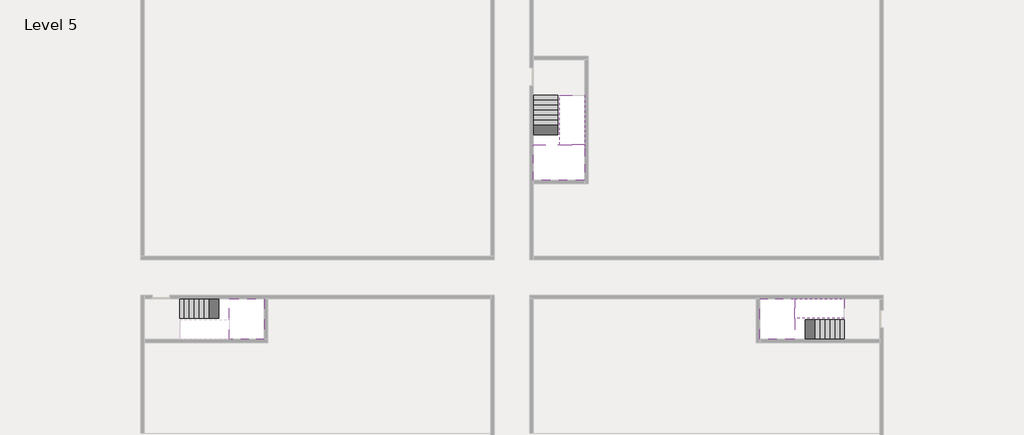
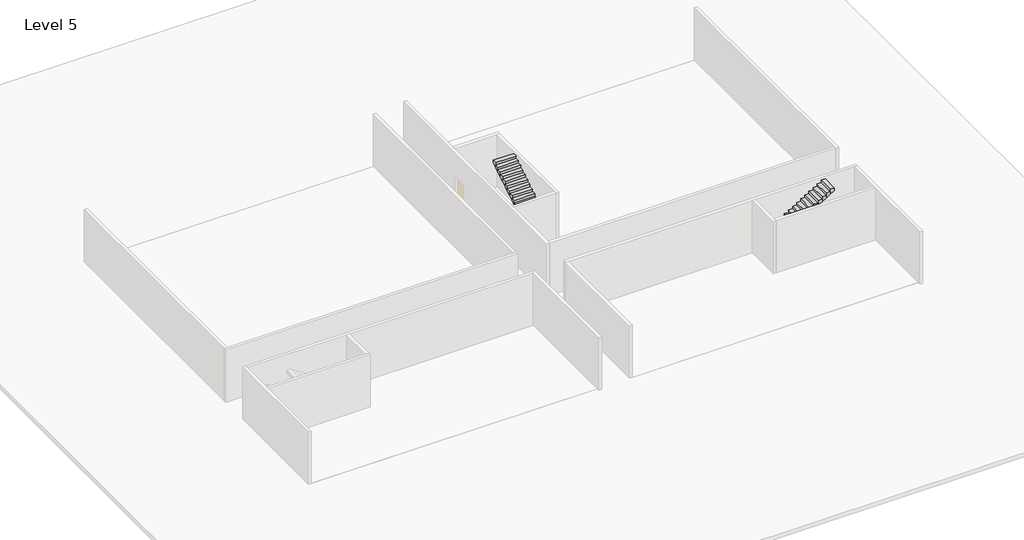
# One storey, part 2 of 2: 5 stair flights, 3 slabs.
"""IFC4 building model written with IfcOpenShell, lengths in millimetres."""

from ifc_helpers import new_model, si_unit, origin, place, context, project, spatial, faceted_brep, element, save

model = new_model("IFC4")

# Units and contexts
model_context = context("Model", 3, world=origin())
ifc_project = project(units=[si_unit("LENGTHUNIT", "METRE", prefix="MILLI")], contexts=[model_context])

# Site, building, storey
site = spatial("IfcSite", under=ifc_project)
building = spatial("IfcBuilding", under=site)
storey = spatial("IfcBuildingStorey", under=building, Name="Level 5", Elevation=15200.0)

# Slabs
placement = place(None, origin())
element("IfcSlab", 1, at=placement, inside=storey, context=model_context, shape_type="Brep", body=[
    faceted_brep([(8190.1058784, -42918.09644, 17100.0), (8190.1058784, -44018.09644, 17100.0), (8190.1058784, -44118.09644, 17100.0), (8190.1058784, -45218.09644, 17100.0), (8390.7194421, -45218.09644, 17100.0), (10190.1058784, -45218.09644, 17100.0), (10190.1058784, -42918.09644, 17100.0), (8269.4923146, -42918.09644, 17100.0), (8190.1058784, -42918.09644, 16927.2727273), (8190.1058784, -42918.09644, 16751.0278478), (8190.1058784, -44018.09644, 16751.0278478), (8190.1058784, -44018.09644, 16800.0), (8190.1058784, -44118.09644, 16800.0), (8190.1058784, -44118.09644, 16923.7551205), (8190.1058784, -45218.09644, 16923.7551205), (8390.7194421, -45218.09644, 16800.0), (10190.1058784, -45218.09644, 16800.0), (10190.1058784, -42918.09644, 16800.0), (8269.4923146, -42918.09644, 16800.0), (8390.7194421, -44118.09644, 16800.0), (8269.4923146, -44018.09644, 16800.0)], [[[0, 1, 2, 3, 4, 5, 6, 7]], [[1, 0, 8, 9, 10, 11]], [[2, 1, 11, 12, 13]], [[3, 2, 13, 14]], [[3, 14, 15, 16, 5, 4]], [[6, 5, 16, 17]], [[9, 8, 0, 7, 6, 17, 18]], [[19, 12, 11, 20, 18, 17, 16, 15]], [[12, 19, 13]], [[18, 20, 10, 9]], [[20, 11, 10]], [[19, 15, 14, 13]]]),
])
element("IfcSlab", 2, at=placement, inside=storey, context=model_context, shape_type="Brep", body=[
    faceted_brep([(40190.1058784, -45218.09644, 17100.0), (40190.1058784, -44118.09644, 17100.0), (40190.1058784, -44018.09644, 17100.0), (40190.1058784, -42918.09644, 17100.0), (39989.4923146, -42918.09644, 17100.0), (38190.1058784, -42918.09644, 17100.0), (38190.1058784, -45218.09644, 17100.0), (40110.7194421, -45218.09644, 17100.0), (40190.1058784, -45218.09644, 16927.2727273), (40190.1058784, -45218.09644, 16751.0278478), (40190.1058784, -44118.09644, 16751.0278478), (40190.1058784, -44118.09644, 16800.0), (40190.1058784, -44018.09644, 16800.0), (40190.1058784, -44018.09644, 16923.7551205), (40190.1058784, -42918.09644, 16923.7551205), (39989.4923146, -42918.09644, 16800.0), (38190.1058784, -42918.09644, 16800.0), (38190.1058784, -45218.09644, 16800.0), (40110.7194421, -45218.09644, 16800.0), (39989.4923146, -44018.09644, 16800.0), (40110.7194421, -44118.09644, 16800.0)], [[[0, 1, 2, 3, 4, 5, 6, 7]], [[1, 0, 8, 9, 10, 11]], [[2, 1, 11, 12, 13]], [[3, 2, 13, 14]], [[3, 14, 15, 16, 5, 4]], [[6, 5, 16, 17]], [[9, 8, 0, 7, 6, 17, 18]], [[19, 12, 11, 20, 18, 17, 16, 15]], [[12, 19, 13]], [[18, 20, 10, 9]], [[20, 11, 10]], [[19, 15, 14, 13]]]),
])
element("IfcSlab", 3, at=placement, inside=storey, context=model_context, shape_type="Brep", body=[
    faceted_brep([(26790.1058784, -34218.09644, 17100.0), (25390.1058784, -34218.09644, 17100.0), (25390.1058784, -34297.4828763, 17100.0), (25390.1058784, -36218.09644, 17100.0), (28290.1058784, -36218.09644, 17100.0), (28290.1058784, -34418.7100038, 17100.0), (28290.1058784, -34218.09644, 17100.0), (26890.1058784, -34218.09644, 17100.0), (26790.1058784, -34218.09644, 16800.0), (26790.1058784, -34218.09644, 16751.0278478), (25390.1058784, -34218.09644, 16751.0278478), (25390.1058784, -34218.09644, 16927.2727273), (25390.1058784, -34297.4828763, 16800.0), (25390.1058784, -36218.09644, 16800.0), (28290.1058784, -36218.09644, 16800.0), (28290.1058784, -34418.7100038, 16800.0), (28290.1058784, -34218.09644, 16923.7551205), (26890.1058784, -34218.09644, 16923.7551205), (26890.1058784, -34218.09644, 16800.0), (26890.1058784, -34418.7100038, 16800.0), (26790.1058784, -34297.4828763, 16800.0)], [[[0, 1, 2, 3, 4, 5, 6, 7]], [[1, 0, 8, 9, 10, 11]], [[1, 11, 10, 12, 13, 3, 2]], [[4, 3, 13, 14]], [[4, 14, 15, 16, 6, 5]], [[7, 6, 16, 17]], [[0, 7, 17, 18, 8]], [[18, 19, 15, 14, 13, 12, 20, 8]], [[19, 18, 17]], [[20, 12, 10, 9]], [[8, 20, 9]], [[15, 19, 17, 16]]]),
])

# Stair flights
element("IfcStairFlight", 4, at=placement, inside=storey, context=model_context, shape_type="Brep", body=[
    faceted_brep([(5670.1058784, -42918.09644, 15372.7272727), (5390.1058784, -42918.09644, 15372.7272727), (5390.1058784, -44018.09644, 15372.7272727), (5670.1058784, -44018.09644, 15372.7272727), (5670.1058784, -42918.09644, 15200.0), (5390.1058784, -42918.09644, 15200.0), (5390.1058784, -44018.09644, 15200.0), (5670.1058784, -44018.09644, 15200.0), (5950.1058784, -42918.09644, 15545.4545455), (5670.1058784, -42918.09644, 15545.4545455), (5670.1058784, -44018.09644, 15545.4545455), (5950.1058784, -44018.09644, 15545.4545455), (5950.1058784, -42918.09644, 15369.209666), (5675.8081041, -42918.09644, 15200.0), (5675.8081041, -44018.09644, 15200.0), (5950.1058784, -44018.09644, 15369.209666), (6230.1058784, -42918.09644, 15718.1818182), (5950.1058784, -42918.09644, 15718.1818182), (5950.1058784, -44018.09644, 15718.1818182), (6230.1058784, -44018.09644, 15718.1818182), (6230.1058784, -42918.09644, 15541.9369387), (6230.1058784, -44018.09644, 15541.9369387), (6510.1058784, -42918.09644, 15890.9090909), (6230.1058784, -42918.09644, 15890.9090909), (6230.1058784, -44018.09644, 15890.9090909), (6510.1058784, -44018.09644, 15890.9090909), (6510.1058784, -42918.09644, 15714.6642114), (6510.1058784, -44018.09644, 15714.6642114), (6790.1058784, -42918.09644, 16063.6363636), (6510.1058784, -42918.09644, 16063.6363636), (6510.1058784, -44018.09644, 16063.6363636), (6790.1058784, -44018.09644, 16063.6363636), (6790.1058784, -42918.09644, 15887.3914841), (6790.1058784, -44018.09644, 15887.3914841), (7070.1058784, -42918.09644, 16236.3636364), (6790.1058784, -42918.09644, 16236.3636364), (6790.1058784, -44018.09644, 16236.3636364), (7070.1058784, -44018.09644, 16236.3636364), (7070.1058784, -42918.09644, 16060.1187569), (7070.1058784, -44018.09644, 16060.1187569), (7350.1058784, -42918.09644, 16409.0909091), (7070.1058784, -42918.09644, 16409.0909091), (7070.1058784, -44018.09644, 16409.0909091), (7350.1058784, -44018.09644, 16409.0909091), (7350.1058784, -42918.09644, 16232.8460296), (7350.1058784, -44018.09644, 16232.8460296), (7630.1058784, -42918.09644, 16581.8181818), (7350.1058784, -42918.09644, 16581.8181818), (7350.1058784, -44018.09644, 16581.8181818), (7630.1058784, -44018.09644, 16581.8181818), (7630.1058784, -42918.09644, 16405.5733023), (7630.1058784, -44018.09644, 16405.5733023), (7910.1058784, -42918.09644, 16754.5454545), (7630.1058784, -42918.09644, 16754.5454545), (7630.1058784, -44018.09644, 16754.5454545), (7910.1058784, -44018.09644, 16754.5454545), (7910.1058784, -42918.09644, 16578.3005751), (7910.1058784, -44018.09644, 16578.3005751), (8190.1058784, -42918.09644, 16927.2727273), (7910.1058784, -42918.09644, 16927.2727273), (7910.1058784, -44018.09644, 16927.2727273), (8190.1058784, -44018.09644, 16927.2727273), (8190.1058784, -42918.09644, 16751.0278478), (8190.1058784, -44018.09644, 16751.0278478), (8190.1058784, -44018.09644, 16800.0)], [[[0, 1, 2, 3]], [[1, 0, 4, 5]], [[2, 1, 5, 6]], [[3, 2, 6, 7]], [[8, 9, 10, 11]], [[4, 0, 9, 8, 12, 13]], [[0, 3, 10, 9]], [[3, 7, 14, 15, 11, 10]], [[16, 17, 18, 19]], [[17, 16, 20, 12, 8]], [[8, 11, 18, 17]], [[19, 18, 11, 15, 21]], [[22, 23, 24, 25]], [[23, 22, 26, 20, 16]], [[16, 19, 24, 23]], [[25, 24, 19, 21, 27]], [[28, 29, 30, 31]], [[29, 28, 32, 26, 22]], [[22, 25, 30, 29]], [[31, 30, 25, 27, 33]], [[34, 35, 36, 37]], [[35, 34, 38, 32, 28]], [[28, 31, 36, 35]], [[37, 36, 31, 33, 39]], [[40, 41, 42, 43]], [[41, 40, 44, 38, 34]], [[34, 37, 42, 41]], [[43, 42, 37, 39, 45]], [[46, 47, 48, 49]], [[47, 46, 50, 44, 40]], [[40, 43, 48, 47]], [[49, 48, 43, 45, 51]], [[52, 53, 54, 55]], [[53, 52, 56, 50, 46]], [[46, 49, 54, 53]], [[55, 54, 49, 51, 57]], [[58, 59, 60, 61]], [[59, 58, 62, 56, 52]], [[52, 55, 60, 59]], [[61, 60, 55, 57, 63, 64]], [[58, 61, 64, 63, 62]], [[5, 4, 13, 14, 7, 6]], [[14, 13, 12, 20, 26, 32, 38, 44, 50, 56, 62, 63, 57, 51, 45, 39, 33, 27, 21, 15]]]),
])
element("IfcStairFlight", 5, at=placement, inside=storey, context=model_context, shape_type="Brep", body=[
    faceted_brep([(42710.1058784, -45218.09644, 15372.7272727), (42990.1058784, -45218.09644, 15372.7272727), (42990.1058784, -44118.09644, 15372.7272727), (42710.1058784, -44118.09644, 15372.7272727), (42710.1058784, -45218.09644, 15200.0), (42990.1058784, -45218.09644, 15200.0), (42990.1058784, -44118.09644, 15200.0), (42710.1058784, -44118.09644, 15200.0), (42430.1058784, -45218.09644, 15545.4545455), (42710.1058784, -45218.09644, 15545.4545455), (42710.1058784, -44118.09644, 15545.4545455), (42430.1058784, -44118.09644, 15545.4545455), (42430.1058784, -45218.09644, 15369.209666), (42704.4036527, -45218.09644, 15200.0), (42704.4036527, -44118.09644, 15200.0), (42430.1058784, -44118.09644, 15369.209666), (42150.1058784, -45218.09644, 15718.1818182), (42430.1058784, -45218.09644, 15718.1818182), (42430.1058784, -44118.09644, 15718.1818182), (42150.1058784, -44118.09644, 15718.1818182), (42150.1058784, -45218.09644, 15541.9369387), (42150.1058784, -44118.09644, 15541.9369387), (41870.1058784, -45218.09644, 15890.9090909), (42150.1058784, -45218.09644, 15890.9090909), (42150.1058784, -44118.09644, 15890.9090909), (41870.1058784, -44118.09644, 15890.9090909), (41870.1058784, -45218.09644, 15714.6642114), (41870.1058784, -44118.09644, 15714.6642114), (41590.1058784, -45218.09644, 16063.6363636), (41870.1058784, -45218.09644, 16063.6363636), (41870.1058784, -44118.09644, 16063.6363636), (41590.1058784, -44118.09644, 16063.6363636), (41590.1058784, -45218.09644, 15887.3914841), (41590.1058784, -44118.09644, 15887.3914841), (41310.1058784, -45218.09644, 16236.3636364), (41590.1058784, -45218.09644, 16236.3636364), (41590.1058784, -44118.09644, 16236.3636364), (41310.1058784, -44118.09644, 16236.3636364), (41310.1058784, -45218.09644, 16060.1187569), (41310.1058784, -44118.09644, 16060.1187569), (41030.1058784, -45218.09644, 16409.0909091), (41310.1058784, -45218.09644, 16409.0909091), (41310.1058784, -44118.09644, 16409.0909091), (41030.1058784, -44118.09644, 16409.0909091), (41030.1058784, -45218.09644, 16232.8460296), (41030.1058784, -44118.09644, 16232.8460296), (40750.1058784, -45218.09644, 16581.8181818), (41030.1058784, -45218.09644, 16581.8181818), (41030.1058784, -44118.09644, 16581.8181818), (40750.1058784, -44118.09644, 16581.8181818), (40750.1058784, -45218.09644, 16405.5733023), (40750.1058784, -44118.09644, 16405.5733023), (40470.1058784, -45218.09644, 16754.5454545), (40750.1058784, -45218.09644, 16754.5454545), (40750.1058784, -44118.09644, 16754.5454545), (40470.1058784, -44118.09644, 16754.5454545), (40470.1058784, -45218.09644, 16578.3005751), (40470.1058784, -44118.09644, 16578.3005751), (40190.1058784, -45218.09644, 16927.2727273), (40470.1058784, -45218.09644, 16927.2727273), (40470.1058784, -44118.09644, 16927.2727273), (40190.1058784, -44118.09644, 16927.2727273), (40190.1058784, -45218.09644, 16751.0278478), (40190.1058784, -44118.09644, 16751.0278478), (40190.1058784, -44118.09644, 16800.0)], [[[0, 1, 2, 3]], [[1, 0, 4, 5]], [[2, 1, 5, 6]], [[3, 2, 6, 7]], [[8, 9, 10, 11]], [[4, 0, 9, 8, 12, 13]], [[0, 3, 10, 9]], [[3, 7, 14, 15, 11, 10]], [[16, 17, 18, 19]], [[17, 16, 20, 12, 8]], [[8, 11, 18, 17]], [[19, 18, 11, 15, 21]], [[22, 23, 24, 25]], [[23, 22, 26, 20, 16]], [[16, 19, 24, 23]], [[25, 24, 19, 21, 27]], [[28, 29, 30, 31]], [[29, 28, 32, 26, 22]], [[22, 25, 30, 29]], [[31, 30, 25, 27, 33]], [[34, 35, 36, 37]], [[35, 34, 38, 32, 28]], [[28, 31, 36, 35]], [[37, 36, 31, 33, 39]], [[40, 41, 42, 43]], [[41, 40, 44, 38, 34]], [[34, 37, 42, 41]], [[43, 42, 37, 39, 45]], [[46, 47, 48, 49]], [[47, 46, 50, 44, 40]], [[40, 43, 48, 47]], [[49, 48, 43, 45, 51]], [[52, 53, 54, 55]], [[53, 52, 56, 50, 46]], [[46, 49, 54, 53]], [[55, 54, 49, 51, 57]], [[58, 59, 60, 61]], [[59, 58, 62, 56, 52]], [[52, 55, 60, 59]], [[61, 60, 55, 57, 63, 64]], [[58, 61, 64, 63, 62]], [[5, 4, 13, 14, 7, 6]], [[14, 13, 12, 20, 26, 32, 38, 44, 50, 56, 62, 63, 57, 51, 45, 39, 33, 27, 21, 15]]]),
])
element("IfcStairFlight", 6, at=placement, inside=storey, context=model_context, shape_type="Brep", body=[
    faceted_brep([(40470.1058784, -42918.09644, 17272.7272727), (40190.1058784, -42918.09644, 17272.7272727), (40190.1058784, -44018.09644, 17272.7272727), (40470.1058784, -44018.09644, 17272.7272727), (40470.1058784, -42918.09644, 17096.4823932), (40190.1058784, -42918.09644, 16923.7551205), (40190.1058784, -42918.09644, 17100.0), (40190.1058784, -44018.09644, 16923.7551205), (40470.1058784, -44018.09644, 17096.4823932), (40750.1058784, -42918.09644, 17445.4545455), (40470.1058784, -42918.09644, 17445.4545455), (40470.1058784, -44018.09644, 17445.4545455), (40750.1058784, -44018.09644, 17445.4545455), (40750.1058784, -42918.09644, 17269.209666), (40750.1058784, -44018.09644, 17269.209666), (41030.1058784, -42918.09644, 17618.1818182), (40750.1058784, -42918.09644, 17618.1818182), (40750.1058784, -44018.09644, 17618.1818182), (41030.1058784, -44018.09644, 17618.1818182), (41030.1058784, -42918.09644, 17441.9369387), (41030.1058784, -44018.09644, 17441.9369387), (41310.1058784, -42918.09644, 17790.9090909), (41030.1058784, -42918.09644, 17790.9090909), (41030.1058784, -44018.09644, 17790.9090909), (41310.1058784, -44018.09644, 17790.9090909), (41310.1058784, -42918.09644, 17614.6642114), (41310.1058784, -44018.09644, 17614.6642114), (41590.1058784, -42918.09644, 17963.6363636), (41310.1058784, -42918.09644, 17963.6363636), (41310.1058784, -44018.09644, 17963.6363636), (41590.1058784, -44018.09644, 17963.6363636), (41590.1058784, -42918.09644, 17787.3914841), (41590.1058784, -44018.09644, 17787.3914841), (41870.1058784, -42918.09644, 18136.3636364), (41590.1058784, -42918.09644, 18136.3636364), (41590.1058784, -44018.09644, 18136.3636364), (41870.1058784, -44018.09644, 18136.3636364), (41870.1058784, -42918.09644, 17960.1187569), (41870.1058784, -44018.09644, 17960.1187569), (42150.1058784, -42918.09644, 18309.0909091), (41870.1058784, -42918.09644, 18309.0909091), (41870.1058784, -44018.09644, 18309.0909091), (42150.1058784, -44018.09644, 18309.0909091), (42150.1058784, -42918.09644, 18132.8460296), (42150.1058784, -44018.09644, 18132.8460296), (42430.1058784, -42918.09644, 18481.8181818), (42150.1058784, -42918.09644, 18481.8181818), (42150.1058784, -44018.09644, 18481.8181818), (42430.1058784, -44018.09644, 18481.8181818), (42430.1058784, -42918.09644, 18305.5733023), (42430.1058784, -44018.09644, 18305.5733023), (42710.1058784, -42918.09644, 18654.5454545), (42430.1058784, -42918.09644, 18654.5454545), (42430.1058784, -44018.09644, 18654.5454545), (42710.1058784, -44018.09644, 18654.5454545), (42710.1058784, -42918.09644, 18478.3005751), (42710.1058784, -44018.09644, 18478.3005751), (42990.1058784, -42918.09644, 18827.2727273), (42710.1058784, -42918.09644, 18827.2727273), (42710.1058784, -44018.09644, 18827.2727273), (42990.1058784, -44018.09644, 18827.2727273), (42990.1058784, -42918.09644, 18651.0278478), (42990.1058784, -44018.09644, 18651.0278478)], [[[0, 1, 2, 3]], [[1, 0, 4, 5, 6]], [[2, 1, 6, 5, 7]], [[3, 2, 7, 8]], [[9, 10, 11, 12]], [[10, 9, 13, 4, 0]], [[11, 10, 0, 3]], [[12, 11, 3, 8, 14]], [[15, 16, 17, 18]], [[16, 15, 19, 13, 9]], [[17, 16, 9, 12]], [[18, 17, 12, 14, 20]], [[21, 22, 23, 24]], [[22, 21, 25, 19, 15]], [[23, 22, 15, 18]], [[24, 23, 18, 20, 26]], [[27, 28, 29, 30]], [[28, 27, 31, 25, 21]], [[29, 28, 21, 24]], [[30, 29, 24, 26, 32]], [[33, 34, 35, 36]], [[34, 33, 37, 31, 27]], [[35, 34, 27, 30]], [[36, 35, 30, 32, 38]], [[39, 40, 41, 42]], [[40, 39, 43, 37, 33]], [[41, 40, 33, 36]], [[42, 41, 36, 38, 44]], [[45, 46, 47, 48]], [[46, 45, 49, 43, 39]], [[47, 46, 39, 42]], [[48, 47, 42, 44, 50]], [[51, 52, 53, 54]], [[52, 51, 55, 49, 45]], [[53, 52, 45, 48]], [[54, 53, 48, 50, 56]], [[57, 58, 59, 60]], [[58, 57, 61, 55, 51]], [[59, 58, 51, 54]], [[60, 59, 54, 56, 62]], [[57, 60, 62, 61]], [[5, 4, 13, 19, 25, 31, 37, 43, 49, 55, 61, 62, 56, 50, 44, 38, 32, 26, 20, 14, 8, 7]]]),
])
element("IfcStairFlight", 7, at=placement, inside=storey, context=model_context, shape_type="Brep", body=[
    faceted_brep([(26790.1058784, -31698.09644, 15372.7272727), (26790.1058784, -31418.09644, 15372.7272727), (25390.1058784, -31418.09644, 15372.7272727), (25390.1058784, -31698.09644, 15372.7272727), (26790.1058784, -31698.09644, 15200.0), (26790.1058784, -31418.09644, 15200.0), (25390.1058784, -31418.09644, 15200.0), (25390.1058784, -31698.09644, 15200.0), (26790.1058784, -31978.09644, 15545.4545455), (26790.1058784, -31698.09644, 15545.4545455), (25390.1058784, -31698.09644, 15545.4545455), (25390.1058784, -31978.09644, 15545.4545455), (26790.1058784, -31978.09644, 15369.209666), (26790.1058784, -31703.7986657, 15200.0), (25390.1058784, -31703.7986657, 15200.0), (25390.1058784, -31978.09644, 15369.209666), (26790.1058784, -32258.09644, 15718.1818182), (26790.1058784, -31978.09644, 15718.1818182), (25390.1058784, -31978.09644, 15718.1818182), (25390.1058784, -32258.09644, 15718.1818182), (26790.1058784, -32258.09644, 15541.9369387), (25390.1058784, -32258.09644, 15541.9369387), (26790.1058784, -32538.09644, 15890.9090909), (26790.1058784, -32258.09644, 15890.9090909), (25390.1058784, -32258.09644, 15890.9090909), (25390.1058784, -32538.09644, 15890.9090909), (26790.1058784, -32538.09644, 15714.6642114), (25390.1058784, -32538.09644, 15714.6642114), (26790.1058784, -32818.09644, 16063.6363636), (26790.1058784, -32538.09644, 16063.6363636), (25390.1058784, -32538.09644, 16063.6363636), (25390.1058784, -32818.09644, 16063.6363636), (26790.1058784, -32818.09644, 15887.3914841), (25390.1058784, -32818.09644, 15887.3914841), (26790.1058784, -33098.09644, 16236.3636364), (26790.1058784, -32818.09644, 16236.3636364), (25390.1058784, -32818.09644, 16236.3636364), (25390.1058784, -33098.09644, 16236.3636364), (26790.1058784, -33098.09644, 16060.1187569), (25390.1058784, -33098.09644, 16060.1187569), (26790.1058784, -33378.09644, 16409.0909091), (26790.1058784, -33098.09644, 16409.0909091), (25390.1058784, -33098.09644, 16409.0909091), (25390.1058784, -33378.09644, 16409.0909091), (26790.1058784, -33378.09644, 16232.8460296), (25390.1058784, -33378.09644, 16232.8460296), (26790.1058784, -33658.09644, 16581.8181818), (26790.1058784, -33378.09644, 16581.8181818), (25390.1058784, -33378.09644, 16581.8181818), (25390.1058784, -33658.09644, 16581.8181818), (26790.1058784, -33658.09644, 16405.5733023), (25390.1058784, -33658.09644, 16405.5733023), (26790.1058784, -33938.09644, 16754.5454545), (26790.1058784, -33658.09644, 16754.5454545), (25390.1058784, -33658.09644, 16754.5454545), (25390.1058784, -33938.09644, 16754.5454545), (26790.1058784, -33938.09644, 16578.3005751), (25390.1058784, -33938.09644, 16578.3005751), (26790.1058784, -34218.09644, 16927.2727273), (26790.1058784, -33938.09644, 16927.2727273), (25390.1058784, -33938.09644, 16927.2727273), (25390.1058784, -34218.09644, 16927.2727273), (26790.1058784, -34218.09644, 16800.0), (26790.1058784, -34218.09644, 16751.0278478), (25390.1058784, -34218.09644, 16751.0278478)], [[[0, 1, 2, 3]], [[1, 0, 4, 5]], [[2, 1, 5, 6]], [[3, 2, 6, 7]], [[8, 9, 10, 11]], [[4, 0, 9, 8, 12, 13]], [[0, 3, 10, 9]], [[3, 7, 14, 15, 11, 10]], [[16, 17, 18, 19]], [[17, 16, 20, 12, 8]], [[8, 11, 18, 17]], [[19, 18, 11, 15, 21]], [[22, 23, 24, 25]], [[23, 22, 26, 20, 16]], [[16, 19, 24, 23]], [[25, 24, 19, 21, 27]], [[28, 29, 30, 31]], [[29, 28, 32, 26, 22]], [[22, 25, 30, 29]], [[31, 30, 25, 27, 33]], [[34, 35, 36, 37]], [[35, 34, 38, 32, 28]], [[28, 31, 36, 35]], [[37, 36, 31, 33, 39]], [[40, 41, 42, 43]], [[41, 40, 44, 38, 34]], [[34, 37, 42, 41]], [[43, 42, 37, 39, 45]], [[46, 47, 48, 49]], [[47, 46, 50, 44, 40]], [[40, 43, 48, 47]], [[49, 48, 43, 45, 51]], [[52, 53, 54, 55]], [[53, 52, 56, 50, 46]], [[46, 49, 54, 53]], [[55, 54, 49, 51, 57]], [[58, 59, 60, 61]], [[59, 58, 62, 63, 56, 52]], [[52, 55, 60, 59]], [[61, 60, 55, 57, 64]], [[58, 61, 64, 63, 62]], [[5, 4, 13, 14, 7, 6]], [[14, 13, 12, 20, 26, 32, 38, 44, 50, 56, 63, 64, 57, 51, 45, 39, 33, 27, 21, 15]]]),
])
element("IfcStairFlight", 8, at=placement, inside=storey, context=model_context, shape_type="Brep", body=[
    faceted_brep([(26890.1058784, -33938.09644, 17272.7272727), (26890.1058784, -34218.09644, 17272.7272727), (28290.1058784, -34218.09644, 17272.7272727), (28290.1058784, -33938.09644, 17272.7272727), (26890.1058784, -33938.09644, 17096.4823932), (26890.1058784, -34218.09644, 16923.7551205), (28290.1058784, -34218.09644, 16923.7551205), (28290.1058784, -34218.09644, 17100.0), (28290.1058784, -33938.09644, 17096.4823932), (26890.1058784, -33658.09644, 17445.4545455), (26890.1058784, -33938.09644, 17445.4545455), (28290.1058784, -33938.09644, 17445.4545455), (28290.1058784, -33658.09644, 17445.4545455), (26890.1058784, -33658.09644, 17269.209666), (28290.1058784, -33658.09644, 17269.209666), (26890.1058784, -33378.09644, 17618.1818182), (26890.1058784, -33658.09644, 17618.1818182), (28290.1058784, -33658.09644, 17618.1818182), (28290.1058784, -33378.09644, 17618.1818182), (26890.1058784, -33378.09644, 17441.9369387), (28290.1058784, -33378.09644, 17441.9369387), (26890.1058784, -33098.09644, 17790.9090909), (26890.1058784, -33378.09644, 17790.9090909), (28290.1058784, -33378.09644, 17790.9090909), (28290.1058784, -33098.09644, 17790.9090909), (26890.1058784, -33098.09644, 17614.6642114), (28290.1058784, -33098.09644, 17614.6642114), (26890.1058784, -32818.09644, 17963.6363636), (26890.1058784, -33098.09644, 17963.6363636), (28290.1058784, -33098.09644, 17963.6363636), (28290.1058784, -32818.09644, 17963.6363636), (26890.1058784, -32818.09644, 17787.3914841), (28290.1058784, -32818.09644, 17787.3914841), (26890.1058784, -32538.09644, 18136.3636364), (26890.1058784, -32818.09644, 18136.3636364), (28290.1058784, -32818.09644, 18136.3636364), (28290.1058784, -32538.09644, 18136.3636364), (26890.1058784, -32538.09644, 17960.1187569), (28290.1058784, -32538.09644, 17960.1187569), (26890.1058784, -32258.09644, 18309.0909091), (26890.1058784, -32538.09644, 18309.0909091), (28290.1058784, -32538.09644, 18309.0909091), (28290.1058784, -32258.09644, 18309.0909091), (26890.1058784, -32258.09644, 18132.8460296), (28290.1058784, -32258.09644, 18132.8460296), (26890.1058784, -31978.09644, 18481.8181818), (26890.1058784, -32258.09644, 18481.8181818), (28290.1058784, -32258.09644, 18481.8181818), (28290.1058784, -31978.09644, 18481.8181818), (26890.1058784, -31978.09644, 18305.5733023), (28290.1058784, -31978.09644, 18305.5733023), (26890.1058784, -31698.09644, 18654.5454545), (26890.1058784, -31978.09644, 18654.5454545), (28290.1058784, -31978.09644, 18654.5454545), (28290.1058784, -31698.09644, 18654.5454545), (26890.1058784, -31698.09644, 18478.3005751), (28290.1058784, -31698.09644, 18478.3005751), (26890.1058784, -31418.09644, 18827.2727273), (26890.1058784, -31698.09644, 18827.2727273), (28290.1058784, -31698.09644, 18827.2727273), (28290.1058784, -31418.09644, 18827.2727273), (26890.1058784, -31418.09644, 18651.0278478), (28290.1058784, -31418.09644, 18651.0278478)], [[[0, 1, 2, 3]], [[1, 0, 4, 5]], [[2, 1, 5, 6, 7]], [[3, 2, 7, 6, 8]], [[9, 10, 11, 12]], [[10, 9, 13, 4, 0]], [[11, 10, 0, 3]], [[12, 11, 3, 8, 14]], [[15, 16, 17, 18]], [[16, 15, 19, 13, 9]], [[17, 16, 9, 12]], [[18, 17, 12, 14, 20]], [[21, 22, 23, 24]], [[22, 21, 25, 19, 15]], [[23, 22, 15, 18]], [[24, 23, 18, 20, 26]], [[27, 28, 29, 30]], [[28, 27, 31, 25, 21]], [[29, 28, 21, 24]], [[30, 29, 24, 26, 32]], [[33, 34, 35, 36]], [[34, 33, 37, 31, 27]], [[35, 34, 27, 30]], [[36, 35, 30, 32, 38]], [[39, 40, 41, 42]], [[40, 39, 43, 37, 33]], [[41, 40, 33, 36]], [[42, 41, 36, 38, 44]], [[45, 46, 47, 48]], [[46, 45, 49, 43, 39]], [[47, 46, 39, 42]], [[48, 47, 42, 44, 50]], [[51, 52, 53, 54]], [[52, 51, 55, 49, 45]], [[53, 52, 45, 48]], [[54, 53, 48, 50, 56]], [[57, 58, 59, 60]], [[58, 57, 61, 55, 51]], [[59, 58, 51, 54]], [[60, 59, 54, 56, 62]], [[57, 60, 62, 61]], [[5, 4, 13, 19, 25, 31, 37, 43, 49, 55, 61, 62, 56, 50, 44, 38, 32, 26, 20, 14, 8, 6]]]),
])

save(model, "model.ifc")
